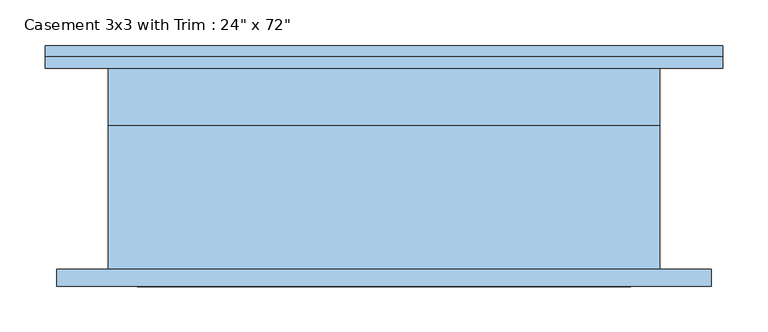
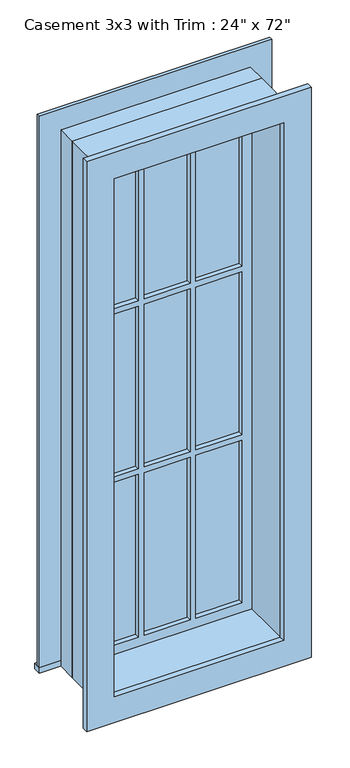
"""IFC4 building model written with IfcOpenShell, lengths in millimetres: window geometry."""

from ifc_helpers import new_model, si_unit, frame, origin, place, context, project, spatial, polyline, outline, extrude, source, transform, mapped, element, save


def window_915e18f2(model_context):
    return source(origin(), model_context, "Body", "SweptSolid", [
        extrude(outline(polyline([(-374.65, 136.525), (374.65, 136.525), (374.65, 111.125), (-374.65, 111.125), (-374.65, 136.525)])), frame((0.0, 0.0, 609.6), z_axis=(0.0, 0.0, 1.0), x_axis=(1.0, 0.0, 0.0)), (0.0, 0.0, 1.0), 19.05),
        extrude(outline(polyline([(2419.35, -285.75), (2419.35, 285.75), (628.65, 285.75), (628.65, 374.65), (2508.25, 374.65), (2508.25, -374.65), (628.65, -374.65), (628.65, -285.75), (2419.35, -285.75)])), frame((0.0, 111.125, 0.0), z_axis=(0.0, 1.0, 0.0), x_axis=(0.0, 0.0, 1.0)), (0.0, 0.0, 1.0), 12.7),
        extrude(outline(polyline([(93.1333333, 76.2), (241.3, 76.2), (241.3, 63.5), (93.1333333, 63.5), (93.1333333, 76.2)])), frame((0.0, 0.0, 1820.3333333), z_axis=(0.0, 0.0, 1.0), x_axis=(1.0, 0.0, 0.0)), (0.0, 0.0, 1.0), 554.5666667),
        extrude(outline(polyline([(-74.0833333, 76.2), (74.0833333, 76.2), (74.0833333, 63.5), (-74.0833333, 63.5), (-74.0833333, 76.2)])), frame((0.0, 0.0, 1820.3333333), z_axis=(0.0, 0.0, 1.0), x_axis=(1.0, 0.0, 0.0)), (0.0, 0.0, 1.0), 554.5666667),
        extrude(outline(polyline([(-241.3, 76.2), (-93.1333333, 76.2), (-93.1333333, 63.5), (-241.3, 63.5), (-241.3, 76.2)])), frame((0.0, 0.0, 1820.3333333), z_axis=(0.0, 0.0, 1.0), x_axis=(1.0, 0.0, 0.0)), (0.0, 0.0, 1.0), 554.5666667),
        extrude(outline(polyline([(-241.3, 76.2), (-93.1333333, 76.2), (-93.1333333, 63.5), (-241.3, 63.5), (-241.3, 76.2)])), frame((0.0, 0.0, 1246.7166667), z_axis=(0.0, 0.0, 1.0), x_axis=(1.0, 0.0, 0.0)), (0.0, 0.0, 1.0), 554.5666667),
        extrude(outline(polyline([(-74.0833333, 76.2), (74.0833333, 76.2), (74.0833333, 63.5), (-74.0833333, 63.5), (-74.0833333, 76.2)])), frame((0.0, 0.0, 1246.7166667), z_axis=(0.0, 0.0, 1.0), x_axis=(1.0, 0.0, 0.0)), (0.0, 0.0, 1.0), 554.5666667),
        extrude(outline(polyline([(93.1333333, 76.2), (241.3, 76.2), (241.3, 63.5), (93.1333333, 63.5), (93.1333333, 76.2)])), frame((0.0, 0.0, 1246.7166667), z_axis=(0.0, 0.0, 1.0), x_axis=(1.0, 0.0, 0.0)), (0.0, 0.0, 1.0), 554.5666667),
        extrude(outline(polyline([(93.1333333, 76.2), (241.3, 76.2), (241.3, 63.5), (93.1333333, 63.5), (93.1333333, 76.2)])), frame((0.0, 0.0, 673.1), z_axis=(0.0, 0.0, 1.0), x_axis=(1.0, 0.0, 0.0)), (0.0, 0.0, 1.0), 554.5666667),
        extrude(outline(polyline([(-74.0833333, 76.2), (74.0833333, 76.2), (74.0833333, 63.5), (-74.0833333, 63.5), (-74.0833333, 76.2)])), frame((0.0, 0.0, 673.1), z_axis=(0.0, 0.0, 1.0), x_axis=(1.0, 0.0, 0.0)), (0.0, 0.0, 1.0), 554.5666667),
        extrude(outline(polyline([(-241.3, 76.2), (-93.1333333, 76.2), (-93.1333333, 63.5), (-241.3, 63.5), (-241.3, 76.2)])), frame((0.0, 0.0, 673.1), z_axis=(0.0, 0.0, 1.0), x_axis=(1.0, 0.0, 0.0)), (0.0, 0.0, 1.0), 554.5666667),
        extrude(outline(polyline([(2495.55, 361.95), (2495.55, -361.95), (552.45, -361.95), (552.45, 361.95), (2495.55, 361.95)]), holes=[polyline([(2406.65, 273.05), (641.35, 273.05), (641.35, -273.05), (2406.65, -273.05), (2406.65, 273.05)])]), frame((0.0, -130.175, 0.0), z_axis=(0.0, 1.0, 0.0), x_axis=(0.0, 0.0, 1.0)), (0.0, 0.0, 1.0), 19.05),
        extrude(outline(polyline([(2419.35, -285.75), (628.65, -285.75), (628.65, 285.75), (2419.35, 285.75), (2419.35, -285.75)]), holes=[polyline([(2374.9, -93.1333333), (1820.3333333, -93.1333333), (1820.3333333, -241.3), (2374.9, -241.3), (2374.9, -93.1333333)]), polyline([(1801.2833333, -93.1333333), (1246.7166667, -93.1333333), (1246.7166667, -241.3), (1801.2833333, -241.3), (1801.2833333, -93.1333333)]), polyline([(1227.6666667, -93.1333333), (673.1, -93.1333333), (673.1, -241.3), (1227.6666667, -241.3), (1227.6666667, -93.1333333)]), polyline([(2374.9, 74.0833333), (1820.3333333, 74.0833333), (1820.3333333, -74.0833333), (2374.9, -74.0833333), (2374.9, 74.0833333)]), polyline([(1801.2833333, 74.0833333), (1246.7166667, 74.0833333), (1246.7166667, -74.0833333), (1801.2833333, -74.0833333), (1801.2833333, 74.0833333)]), polyline([(1227.6666667, 74.0833333), (673.1, 74.0833333), (673.1, -74.0833333), (1227.6666667, -74.0833333), (1227.6666667, 74.0833333)]), polyline([(2374.9, 241.3), (1820.3333333, 241.3), (1820.3333333, 93.1333333), (2374.9, 93.1333333), (2374.9, 241.3)]), polyline([(1801.2833333, 241.3), (1246.7166667, 241.3), (1246.7166667, 93.1333333), (1801.2833333, 93.1333333), (1801.2833333, 241.3)]), polyline([(1227.6666667, 241.3), (673.1, 241.3), (673.1, 93.1333333), (1227.6666667, 93.1333333), (1227.6666667, 241.3)])]), frame((0.0, 47.625, 0.0), z_axis=(0.0, 1.0, 0.0), x_axis=(0.0, 0.0, 1.0)), (0.0, 0.0, 1.0), 44.45),
        extrude(outline(polyline([(2438.4, -304.8), (609.6, -304.8), (609.6, 304.8), (2438.4, 304.8), (2438.4, -304.8)]), holes=[polyline([(2406.65, -273.05), (2406.65, 273.05), (641.35, 273.05), (641.35, -273.05), (2406.65, -273.05)])]), frame((0.0, -111.125, 0.0), z_axis=(0.0, 1.0, 0.0), x_axis=(0.0, 0.0, 1.0)), (0.0, 0.0, 1.0), 158.75),
        extrude(outline(polyline([(2438.4, 304.8), (2438.4, -304.8), (609.6, -304.8), (609.6, 304.8), (2438.4, 304.8)]), holes=[polyline([(2419.35, 285.75), (628.65, 285.75), (628.65, -285.75), (2419.35, -285.75), (2419.35, 285.75)])]), frame((0.0, 47.625, 0.0), z_axis=(0.0, 1.0, 0.0), x_axis=(0.0, 0.0, 1.0)), (0.0, 0.0, 1.0), 63.5),
    ])


if __name__ == "__main__":
    model = new_model("IFC4")
    model_context = context("Model", 3, world=origin())
    ifc_project = project(units=[si_unit("LENGTHUNIT", "METRE", prefix="MILLI")], contexts=[model_context])
    site = spatial("IfcSite", under=ifc_project)
    building = spatial("IfcBuilding", under=site)
    placement = place(None, origin())
    window_shape = window_915e18f2(model_context)
    element("IfcWindow", 1, ObjectType="Casement 3x3 with Trim : 24\" x 72\"", at=placement, inside=building, context=model_context, shape_type="MappedRepresentation", body=[
        mapped(window_shape, transform((0.0, 0.0, 0.0), x_axis=(1.0, 0.0, 0.0), y_axis=(0.0, 1.0, 0.0), z_axis=(0.0, 0.0, 1.0))),
    ])
    save(model, "model.ifc")
